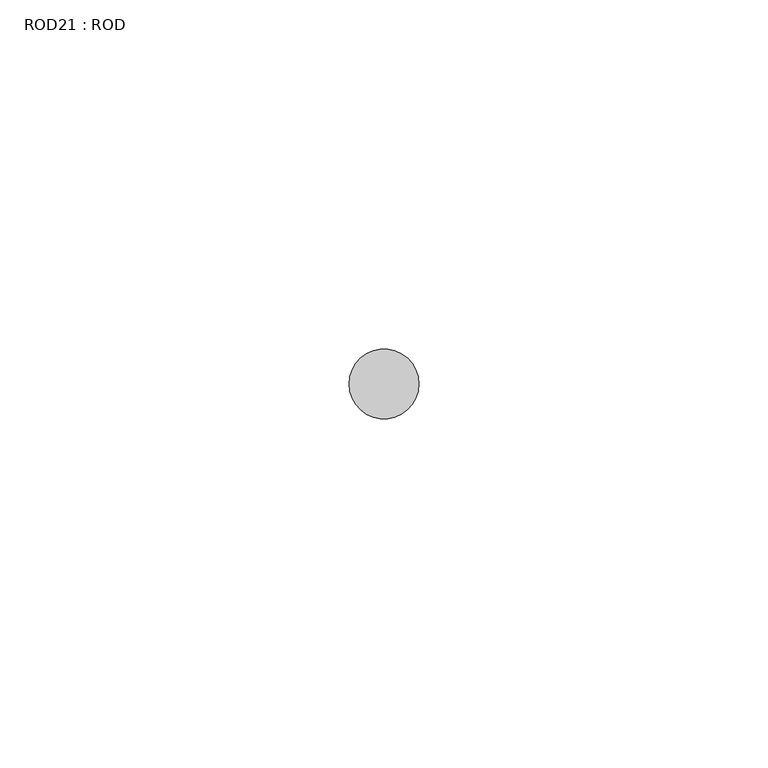
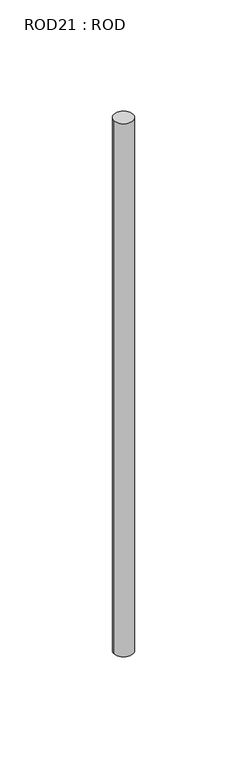
"""IFC4 building model written with IfcOpenShell, lengths in millimetres: proxy geometry, ROD21 : ROD."""

from ifc_helpers import new_model, si_unit, point, frame, frame_2d, origin, place, context, project, spatial, circle_curve, trimmed, segment, composite_curve, outline, extrude, source, transform, mapped, element, save


def rod21_rod_7a3b0b3a(model_context):
    return source(origin(), model_context, "Body", "SweptSolid", [
        extrude(outline(composite_curve([segment(trimmed(circle_curve(frame_2d((-5007.2215616, -1114.6300853)), 5.0), [point((-5012.2215616, -1114.6300853))], [point((-5002.2215616, -1114.6300853))], False, "CARTESIAN"), True, "CONTINUOUS"), segment(trimmed(circle_curve(frame_2d((-5007.2215616, -1114.6300853)), 5.0), [point((-5002.2215616, -1114.6300853))], [point((-5012.2215616, -1114.6300853))], False, "CARTESIAN"), True, "CONTINUOUS")], self_intersect=False)), frame((0.0, 0.0, -208.6608845), z_axis=(0.0, 0.0, 1.0), x_axis=(1.0, 0.0, 0.0)), (0.0, 0.0, 1.0), 298.9028972),
    ])


if __name__ == "__main__":
    model = new_model("IFC4")
    model_context = context("Model", 3, world=origin())
    ifc_project = project(units=[si_unit("LENGTHUNIT", "METRE", prefix="MILLI")], contexts=[model_context])
    site = spatial("IfcSite", under=ifc_project)
    building = spatial("IfcBuilding", under=site)
    placement = place(None, origin())
    rod21_rod_shape = rod21_rod_7a3b0b3a(model_context)
    element("IfcBuildingElementProxy", 1, Name="ROD21 : ROD", ObjectType="ROD21 : ROD", at=placement, inside=building, context=model_context, shape_type="MappedRepresentation", body=[
        mapped(rod21_rod_shape, transform((0.0, 0.0, 0.0), x_axis=(1.0, 0.0, 0.0), y_axis=(0.0, 1.0, 0.0), z_axis=(0.0, 0.0, 1.0))),
    ])
    save(model, "model.ifc")
